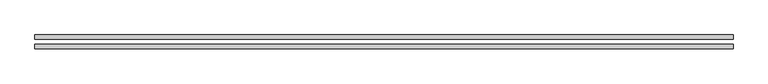
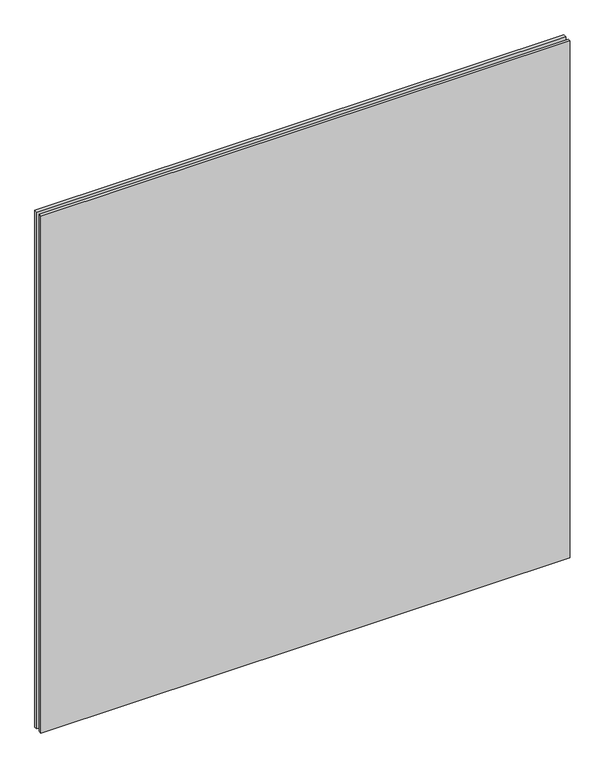
"""IFC4 building model written with IfcOpenShell, lengths in millimetres: plate geometry."""

from ifc_helpers import new_model, si_unit, origin, origin_with_axes, place, context, project, spatial, polyline, outline, extrude, source, transform, mapped, element, save


def plate_749edb2d(model_context):
    return source(origin(), model_context, "Body", "SweptSolid", [
        extrude(outline(polyline([(627.75, -40.8), (-627.75, -40.8), (-627.75, -32.8), (627.75, -32.8), (627.75, -40.8)])), origin_with_axes(), (0.0, 0.0, 1.0), 1295.5),
        extrude(outline(polyline([(627.75, -23.8), (-627.75, -23.8), (-627.75, -15.8), (627.75, -15.8), (627.75, -23.8)])), origin_with_axes(), (0.0, 0.0, 1.0), 1295.5),
    ])


if __name__ == "__main__":
    model = new_model("IFC4")
    model_context = context("Model", 3, world=origin())
    ifc_project = project(units=[si_unit("LENGTHUNIT", "METRE", prefix="MILLI")], contexts=[model_context])
    site = spatial("IfcSite", under=ifc_project)
    building = spatial("IfcBuilding", under=site)
    placement = place(None, origin())
    plate_shape = plate_749edb2d(model_context)
    element("IfcPlate", 1, at=placement, inside=building, context=model_context, shape_type="MappedRepresentation", body=[
        mapped(plate_shape, transform((0.0, 0.0, 0.0), x_axis=(1.0, 0.0, 0.0), y_axis=(0.0, 1.0, 0.0), z_axis=(0.0, 0.0, 1.0))),
    ])
    save(model, "model.ifc")
